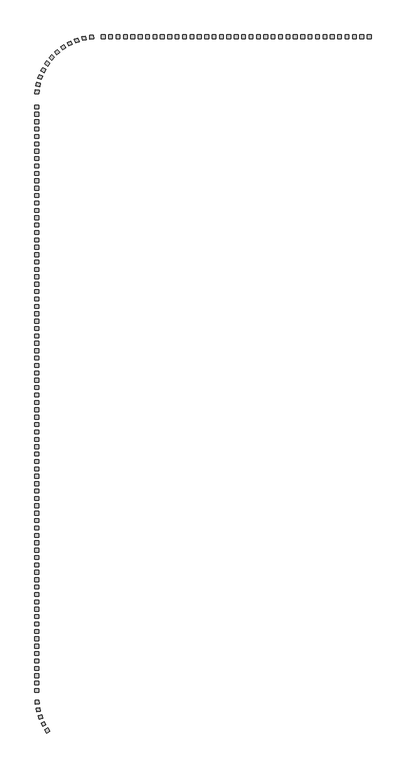
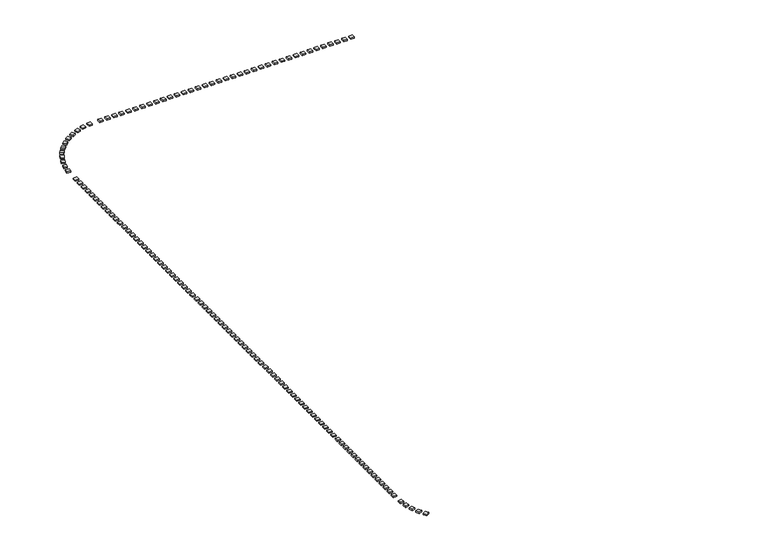
"""IFC4 building model written with IfcOpenShell, lengths in millimetres: railing geometry."""

import ifcopenshell
import ifcopenshell.guid

model = None  # the IFC model being written
_history = None  # IfcOwnerHistory: only IFC2X3 demands one
_inside = {}  # id of a spatial element -> (the spatial element, [elements in it])
_under = {}  # id of a project, library or spatial element -> (it, [spatial elements below it])
_declared = {}  # id of a project -> (the project, [libraries it declares])
_typed = {}  # id of a type object -> (the type object, [elements of that type])
_made_of = {}  # id of a material, layer set ... -> (it, [elements and type objects made of it])


def new_model(schema):
    """Start an empty IFC model of exactly this schema.

    Asked for "IFC4X3", IfcOpenShell would pick the latest addendum, in which some entities
    have other attributes; the version numbers below select the first issue.
    IFC2X3 requires an IfcOwnerHistory on every rooted entity: one is made here for all.
    """
    global model, _history
    if schema == "IFC4X3":
        model = ifcopenshell.file(schema_version=(4, 3, 0, 0))
    else:
        model = ifcopenshell.file(schema=schema)
    _inside.clear()
    _under.clear()
    _declared.clear()
    _typed.clear()
    _made_of.clear()
    _history = None
    if model.schema == "IFC2X3":
        org = make("IfcOrganization", Name="unknown")
        user = make(
            "IfcPersonAndOrganization",
            ThePerson=make("IfcPerson", FamilyName="unknown"),
            TheOrganization=org,
        )
        app = make(
            "IfcApplication",
            ApplicationDeveloper=org,
            Version="unknown",
            ApplicationFullName="unknown",
            ApplicationIdentifier="unknown",
        )
        _history = make(
            "IfcOwnerHistory",
            OwningUser=user,
            OwningApplication=app,
            ChangeAction="ADDED",
            CreationDate=0,
        )
    return model


def make(cls, **values):
    """One entity of the class cls with the attributes given. An attribute that is None is left unset."""
    return model.create_entity(
        cls, **{name: value for name, value in values.items() if value is not None}
    )


def rooted(cls, **values):
    """An entity with a GlobalId (a new one), such as an element, a storey or a relation."""
    return make(cls, GlobalId=ifcopenshell.guid.new(), OwnerHistory=_history, **values)


def si_unit(unit_type, name, prefix=None):
    """IfcSIUnit, for example si_unit("LENGTHUNIT", "METRE", prefix="MILLI")."""
    return make("IfcSIUnit", UnitType=unit_type, Prefix=prefix, Name=name)


def assignment(units):
    """IfcUnitAssignment: the units of a project."""
    return None if units is None else make("IfcUnitAssignment", Units=units)


def point(xyz):
    """IfcCartesianPoint."""
    return None if xyz is None else make("IfcCartesianPoint", Coordinates=xyz)


def direction(xyz):
    """IfcDirection."""
    return None if xyz is None else make("IfcDirection", DirectionRatios=xyz)


def frame(location, z_axis=None, x_axis=None):
    """IfcAxis2Placement3D, a coordinate frame: its origin and axes. An axis left out is left unset."""
    return make(
        "IfcAxis2Placement3D",
        Location=point(location),
        Axis=direction(z_axis),
        RefDirection=direction(x_axis),
    )


def origin():
    """The frame at (0, 0, 0) with its axes left unset."""
    return frame((0.0, 0.0, 0.0))


def origin_with_axes():
    """The frame at (0, 0, 0) with the z axis (0, 0, 1) and the x axis (1, 0, 0) written out."""
    return frame((0.0, 0.0, 0.0), z_axis=(0.0, 0.0, 1.0), x_axis=(1.0, 0.0, 0.0))


def place(relative_to, where):
    """IfcLocalPlacement: puts the frame where relative to a parent placement (None: the world)."""
    return make(
        "IfcLocalPlacement", PlacementRelTo=relative_to, RelativePlacement=where
    )


def context(
    kind, dimensions, precision=None, world=None, true_north=None, identifier=None
):
    """IfcGeometricRepresentationContext, for example the 3D "Model" context."""
    return make(
        "IfcGeometricRepresentationContext",
        ContextIdentifier=identifier,
        ContextType=kind,
        CoordinateSpaceDimension=dimensions,
        Precision=precision,
        WorldCoordinateSystem=world,
        TrueNorth=true_north,
    )


def project(units=None, contexts=None):
    """IfcProject with its units and contexts."""
    return rooted(
        "IfcProject",
        Name="project",
        RepresentationContexts=contexts,
        UnitsInContext=assignment(units),
    )


def spatial(cls, under=None, at=None, **own):
    """A site, building, storey or space (cls), placed at a placement, below another one or the project."""
    s = rooted(cls, ObjectPlacement=at, **own)
    if under is not None:
        _under.setdefault(under.id(), (under, []))[1].append(s)
    return s


def polyline(points):
    """IfcPolyline through the points."""
    return make("IfcPolyline", Points=[point(p) for p in points])


def outline(outer, holes=None, kind="AREA"):
    """IfcArbitraryClosedProfileDef: a profile drawn as a closed curve; with holes, ...WithVoids."""
    if holes is None:
        return make("IfcArbitraryClosedProfileDef", ProfileType=kind, OuterCurve=outer)
    return make(
        "IfcArbitraryProfileDefWithVoids",
        ProfileType=kind,
        OuterCurve=outer,
        InnerCurves=holes,
    )


def extrude(swept, where, along, depth):
    """IfcExtrudedAreaSolid: the profile swept, set in the frame where, extruded along a direction by depth."""
    return make(
        "IfcExtrudedAreaSolid",
        SweptArea=swept,
        Position=where,
        ExtrudedDirection=direction(along),
        Depth=depth,
    )


def shape(context_of_items, identifier, shape_type, items):
    """IfcShapeRepresentation: the items that make up one representation, for example the "Body"."""
    return make(
        "IfcShapeRepresentation",
        ContextOfItems=context_of_items,
        RepresentationIdentifier=identifier,
        RepresentationType=shape_type,
        Items=items,
    )


def source(mapping_origin, context_of_items, identifier, shape_type, items):
    """IfcRepresentationMap: a shape defined once, which mapped items show again and again."""
    return make(
        "IfcRepresentationMap",
        MappingOrigin=mapping_origin,
        MappedRepresentation=shape(context_of_items, identifier, shape_type, items),
    )


def transform(
    local_origin,
    x_axis=None,
    y_axis=None,
    z_axis=None,
    scale=None,
    scale2=None,
    scale3=None,
    uniform=True,
):
    """IfcCartesianTransformationOperator3D, or its non-uniform kind. x_axis, y_axis, z_axis: its Axis1, 2, 3."""
    if uniform:
        return make(
            "IfcCartesianTransformationOperator3D",
            Axis1=direction(x_axis),
            Axis2=direction(y_axis),
            LocalOrigin=point(local_origin),
            Scale=scale,
            Axis3=direction(z_axis),
        )
    return make(
        "IfcCartesianTransformationOperator3DnonUniform",
        Axis1=direction(x_axis),
        Axis2=direction(y_axis),
        LocalOrigin=point(local_origin),
        Scale=scale,
        Axis3=direction(z_axis),
        Scale2=scale2,
        Scale3=scale3,
    )


def mapped(mapping_source, mapping_target):
    """IfcMappedItem: shows the shape of a source again, moved by a transform."""
    return make(
        "IfcMappedItem", MappingSource=mapping_source, MappingTarget=mapping_target
    )


def made_of(thing, what):
    """Note that an element or type object is made of a material, layer set ...; save() writes the relation."""
    if what is not None:
        _made_of.setdefault(what.id(), (what, []))[1].append(thing)
    return thing


def element(
    cls,
    number,
    at=None,
    inside=None,
    cuts=None,
    type_object=None,
    material=None,
    context=None,
    identifier="Body",
    shape_type=None,
    held_by="IfcProductDefinitionShape",
    body=None,
    shapes=None,
    **own,
):
    """One element of the class cls, such as IfcWall. Its Tag is "e" and its number.

    at: its placement. inside: the storey or other place that contains it. cuts: it is an
    opening in that element (IfcRelVoidsElement). A single representation is given by context,
    identifier, shape_type and body (its items); several are given by shapes. held_by: the class
    of the entity that holds the representations. save() writes the other relations.
    """
    e = rooted(cls, Tag="e%d" % number, ObjectPlacement=at, **own)
    if body is not None:
        shapes = [shape(context, identifier, shape_type, body)]
    if shapes is not None:
        e.Representation = make(held_by, Representations=shapes)
    if inside is not None:
        _inside.setdefault(inside.id(), (inside, []))[1].append(e)
    if cuts is not None:
        rooted(
            "IfcRelVoidsElement", RelatingBuildingElement=cuts, RelatedOpeningElement=e
        )
    if type_object is not None:
        _typed.setdefault(type_object.id(), (type_object, []))[1].append(e)
    return made_of(e, material)


def aggregate(whole, parts):
    """IfcRelAggregates: a whole, such as a stair, and the parts it consists of."""
    return rooted("IfcRelAggregates", RelatingObject=whole, RelatedObjects=parts)


def save(model, path):
    """Write the relations noted so far, then the file.

    IfcRelAggregates (storeys below a building ...), IfcRelContainedInSpatialStructure (elements
    in a storey), IfcRelDefinesByType, IfcRelAssociatesMaterial and IfcRelDeclares: one each for
    every whole, place, type object, material and project.
    """
    for whole, parts in _under.values():
        aggregate(whole, parts)
    for where, things in _inside.values():
        rooted(
            "IfcRelContainedInSpatialStructure",
            RelatedElements=things,
            RelatingStructure=where,
        )
    for kind, things in _typed.values():
        rooted("IfcRelDefinesByType", RelatedObjects=things, RelatingType=kind)
    for what, things in _made_of.values():
        rooted("IfcRelAssociatesMaterial", RelatedObjects=things, RelatingMaterial=what)
    for by, libraries in _declared.values():
        rooted("IfcRelDeclares", RelatingContext=by, RelatedDefinitions=libraries)
    model.write(path)


def railing_8638ce8b(model_context):
    return source(origin(), model_context, "Body", "SweptSolid", [
        extrude(outline(polyline([(-32631.1414863, -150454.0566268), (-32631.1414863, -150954.0566268), (-33131.1414863, -150954.0566268), (-33131.1414863, -150454.0566268), (-32631.1414863, -150454.0566268)])), origin_with_axes(), (0.0, 0.0, 1.0), 200.0),
        extrude(outline(polyline([(-33631.1414863, -150454.0566268), (-33631.1414863, -150954.0566268), (-34131.1414863, -150954.0566268), (-34131.1414863, -150454.0566268), (-33631.1414863, -150454.0566268)])), origin_with_axes(), (0.0, 0.0, 1.0), 200.0),
        extrude(outline(polyline([(-34631.1414863, -150454.0566268), (-34631.1414863, -150954.0566268), (-35131.1414863, -150954.0566268), (-35131.1414863, -150454.0566268), (-34631.1414863, -150454.0566268)])), origin_with_axes(), (0.0, 0.0, 1.0), 200.0),
        extrude(outline(polyline([(-35631.1414863, -150454.0566268), (-35631.1414863, -150954.0566268), (-36131.1414863, -150954.0566268), (-36131.1414863, -150454.0566268), (-35631.1414863, -150454.0566268)])), origin_with_axes(), (0.0, 0.0, 1.0), 200.0),
        extrude(outline(polyline([(-36631.1414863, -150454.0566268), (-36631.1414863, -150954.0566268), (-37131.1414863, -150954.0566268), (-37131.1414863, -150454.0566268), (-36631.1414863, -150454.0566268)])), origin_with_axes(), (0.0, 0.0, 1.0), 200.0),
        extrude(outline(polyline([(-37631.1414863, -150454.0566268), (-37631.1414863, -150954.0566268), (-38131.1414863, -150954.0566268), (-38131.1414863, -150454.0566268), (-37631.1414863, -150454.0566268)])), origin_with_axes(), (0.0, 0.0, 1.0), 200.0),
        extrude(outline(polyline([(-38631.1414863, -150454.0566268), (-38631.1414863, -150954.0566268), (-39131.1414863, -150954.0566268), (-39131.1414863, -150454.0566268), (-38631.1414863, -150454.0566268)])), origin_with_axes(), (0.0, 0.0, 1.0), 200.0),
        extrude(outline(polyline([(-39631.1414863, -150454.0566268), (-39631.1414863, -150954.0566268), (-40131.1414863, -150954.0566268), (-40131.1414863, -150454.0566268), (-39631.1414863, -150454.0566268)])), origin_with_axes(), (0.0, 0.0, 1.0), 200.0),
        extrude(outline(polyline([(-40631.1414863, -150454.0566268), (-40631.1414863, -150954.0566268), (-41131.1414863, -150954.0566268), (-41131.1414863, -150454.0566268), (-40631.1414863, -150454.0566268)])), origin_with_axes(), (0.0, 0.0, 1.0), 200.0),
        extrude(outline(polyline([(-41631.1414863, -150454.0566268), (-41631.1414863, -150954.0566268), (-42131.1414863, -150954.0566268), (-42131.1414863, -150454.0566268), (-41631.1414863, -150454.0566268)])), origin_with_axes(), (0.0, 0.0, 1.0), 200.0),
        extrude(outline(polyline([(-42631.1414863, -150454.0566268), (-42631.1414863, -150954.0566268), (-43131.1414863, -150954.0566268), (-43131.1414863, -150454.0566268), (-42631.1414863, -150454.0566268)])), origin_with_axes(), (0.0, 0.0, 1.0), 200.0),
        extrude(outline(polyline([(-43631.1414863, -150454.0566268), (-43631.1414863, -150954.0566268), (-44131.1414863, -150954.0566268), (-44131.1414863, -150454.0566268), (-43631.1414863, -150454.0566268)])), origin_with_axes(), (0.0, 0.0, 1.0), 200.0),
        extrude(outline(polyline([(-44631.1414863, -150454.0566268), (-44631.1414863, -150954.0566268), (-45131.1414863, -150954.0566268), (-45131.1414863, -150454.0566268), (-44631.1414863, -150454.0566268)])), origin_with_axes(), (0.0, 0.0, 1.0), 200.0),
        extrude(outline(polyline([(-45631.1414863, -150454.0566268), (-45631.1414863, -150954.0566268), (-46131.1414863, -150954.0566268), (-46131.1414863, -150454.0566268), (-45631.1414863, -150454.0566268)])), origin_with_axes(), (0.0, 0.0, 1.0), 200.0),
        extrude(outline(polyline([(-46631.1414863, -150454.0566268), (-46631.1414863, -150954.0566268), (-47131.1414863, -150954.0566268), (-47131.1414863, -150454.0566268), (-46631.1414863, -150454.0566268)])), origin_with_axes(), (0.0, 0.0, 1.0), 200.0),
        extrude(outline(polyline([(-47631.1414863, -150454.0566268), (-47631.1414863, -150954.0566268), (-48131.1414863, -150954.0566268), (-48131.1414863, -150454.0566268), (-47631.1414863, -150454.0566268)])), origin_with_axes(), (0.0, 0.0, 1.0), 200.0),
        extrude(outline(polyline([(-48631.1414863, -150454.0566268), (-48631.1414863, -150954.0566268), (-49131.1414863, -150954.0566268), (-49131.1414863, -150454.0566268), (-48631.1414863, -150454.0566268)])), origin_with_axes(), (0.0, 0.0, 1.0), 200.0),
        extrude(outline(polyline([(-49631.1414863, -150454.0566268), (-49631.1414863, -150954.0566268), (-50131.1414863, -150954.0566268), (-50131.1414863, -150454.0566268), (-49631.1414863, -150454.0566268)])), origin_with_axes(), (0.0, 0.0, 1.0), 200.0),
        extrude(outline(polyline([(-50631.1414863, -150454.0566268), (-50631.1414863, -150954.0566268), (-51131.1414863, -150954.0566268), (-51131.1414863, -150454.0566268), (-50631.1414863, -150454.0566268)])), origin_with_axes(), (0.0, 0.0, 1.0), 200.0),
        extrude(outline(polyline([(-51631.1414863, -150454.0566268), (-51631.1414863, -150954.0566268), (-52131.1414863, -150954.0566268), (-52131.1414863, -150454.0566268), (-51631.1414863, -150454.0566268)])), origin_with_axes(), (0.0, 0.0, 1.0), 200.0),
        extrude(outline(polyline([(-52631.1414863, -150454.0566268), (-52631.1414863, -150954.0566268), (-53131.1414863, -150954.0566268), (-53131.1414863, -150454.0566268), (-52631.1414863, -150454.0566268)])), origin_with_axes(), (0.0, 0.0, 1.0), 200.0),
        extrude(outline(polyline([(-53631.1414863, -150454.0566268), (-53631.1414863, -150954.0566268), (-54131.1414863, -150954.0566268), (-54131.1414863, -150454.0566268), (-53631.1414863, -150454.0566268)])), origin_with_axes(), (0.0, 0.0, 1.0), 200.0),
        extrude(outline(polyline([(-54631.1414863, -150454.0566268), (-54631.1414863, -150954.0566268), (-55131.1414863, -150954.0566268), (-55131.1414863, -150454.0566268), (-54631.1414863, -150454.0566268)])), origin_with_axes(), (0.0, 0.0, 1.0), 200.0),
        extrude(outline(polyline([(-55631.1414863, -150454.0566268), (-55631.1414863, -150954.0566268), (-56131.1414863, -150954.0566268), (-56131.1414863, -150454.0566268), (-55631.1414863, -150454.0566268)])), origin_with_axes(), (0.0, 0.0, 1.0), 200.0),
        extrude(outline(polyline([(-56631.1414863, -150454.0566268), (-56631.1414863, -150954.0566268), (-57131.1414863, -150954.0566268), (-57131.1414863, -150454.0566268), (-56631.1414863, -150454.0566268)])), origin_with_axes(), (0.0, 0.0, 1.0), 200.0),
        extrude(outline(polyline([(-57631.1414863, -150454.0566268), (-57631.1414863, -150954.0566268), (-58131.1414863, -150954.0566268), (-58131.1414863, -150454.0566268), (-57631.1414863, -150454.0566268)])), origin_with_axes(), (0.0, 0.0, 1.0), 200.0),
        extrude(outline(polyline([(-58631.1414863, -150454.0566268), (-58631.1414863, -150954.0566268), (-59131.1414863, -150954.0566268), (-59131.1414863, -150454.0566268), (-58631.1414863, -150454.0566268)])), origin_with_axes(), (0.0, 0.0, 1.0), 200.0),
        extrude(outline(polyline([(-59631.1414863, -150454.0566268), (-59631.1414863, -150954.0566268), (-60131.1414863, -150954.0566268), (-60131.1414863, -150454.0566268), (-59631.1414863, -150454.0566268)])), origin_with_axes(), (0.0, 0.0, 1.0), 200.0),
        extrude(outline(polyline([(-60631.1414863, -150454.0566268), (-60631.1414863, -150954.0566268), (-61131.1414863, -150954.0566268), (-61131.1414863, -150454.0566268), (-60631.1414863, -150454.0566268)])), origin_with_axes(), (0.0, 0.0, 1.0), 200.0),
        extrude(outline(polyline([(-61631.1414863, -150454.0566268), (-61631.1414863, -150954.0566268), (-62131.1414863, -150954.0566268), (-62131.1414863, -150454.0566268), (-61631.1414863, -150454.0566268)])), origin_with_axes(), (0.0, 0.0, 1.0), 200.0),
        extrude(outline(polyline([(-62631.1414863, -150454.0566268), (-62631.1414863, -150954.0566268), (-63131.1414863, -150954.0566268), (-63131.1414863, -150454.0566268), (-62631.1414863, -150454.0566268)])), origin_with_axes(), (0.0, 0.0, 1.0), 200.0),
        extrude(outline(polyline([(-63631.1414863, -150454.0566268), (-63631.1414863, -150954.0566268), (-64131.1414863, -150954.0566268), (-64131.1414863, -150454.0566268), (-63631.1414863, -150454.0566268)])), origin_with_axes(), (0.0, 0.0, 1.0), 200.0),
        extrude(outline(polyline([(-64631.1414863, -150454.0566268), (-64631.1414863, -150954.0566268), (-65131.1414863, -150954.0566268), (-65131.1414863, -150454.0566268), (-64631.1414863, -150454.0566268)])), origin_with_axes(), (0.0, 0.0, 1.0), 200.0),
        extrude(outline(polyline([(-65631.1414863, -150454.0566268), (-65631.1414863, -150954.0566268), (-66131.1414863, -150954.0566268), (-66131.1414863, -150454.0566268), (-65631.1414863, -150454.0566268)])), origin_with_axes(), (0.0, 0.0, 1.0), 200.0),
        extrude(outline(polyline([(-66631.1414863, -150454.0566268), (-66631.1414863, -150954.0566268), (-67131.1414863, -150954.0566268), (-67131.1414863, -150454.0566268), (-66631.1414863, -150454.0566268)])), origin_with_axes(), (0.0, 0.0, 1.0), 200.0),
        extrude(outline(polyline([(-67631.1414863, -150454.0566268), (-67631.1414863, -150954.0566268), (-68131.1414863, -150954.0566268), (-68131.1414863, -150454.0566268), (-67631.1414863, -150454.0566268)])), origin_with_axes(), (0.0, 0.0, 1.0), 200.0),
        extrude(outline(polyline([(-68631.1414863, -150454.0566268), (-68631.1414863, -150954.0566268), (-69131.1414863, -150954.0566268), (-69131.1414863, -150454.0566268), (-68631.1414863, -150454.0566268)])), origin_with_axes(), (0.0, 0.0, 1.0), 200.0),
        extrude(outline(polyline([(-70232.4077004, -150475.3492407), (-70197.0390996, -150974.096734), (-70695.7865929, -151009.4653348), (-70731.1551937, -150510.7178415), (-70232.4077004, -150475.3492407)])), origin_with_axes(), (0.0, 0.0, 1.0), 200.0),
        extrude(outline(polyline([(-71284.7970042, -150616.4656421), (-71187.5231502, -151106.9121706), (-71677.9696787, -151204.1860246), (-71775.2435327, -150713.7394961), (-71284.7970042, -150616.4656421)])), origin_with_axes(), (0.0, 0.0, 1.0), 200.0),
        extrude(outline(polyline([(-72311.3815666, -150887.6873623), (-72153.7203854, -151362.1796719), (-72628.2126951, -151519.8408531), (-72785.8738763, -151045.3485435), (-72311.3815666, -150887.6873623)])), origin_with_axes(), (0.0, 0.0, 1.0), 200.0),
        extrude(outline(polyline([(-73296.1418791, -151284.7820769), (-73080.5536207, -151735.915874), (-73531.6874177, -151951.5041324), (-73747.2756761, -151500.3703353), (-73296.1418791, -151284.7820769)])), origin_with_axes(), (0.0, 0.0, 1.0), 200.0),
        extrude(outline(polyline([(-74223.7110861, -151801.5532559), (-73953.5599332, -152222.2887483), (-74374.2954256, -152492.4399013), (-74644.4465785, -152071.7044089), (-74223.7110861, -151801.5532559)])), origin_with_axes(), (0.0, 0.0, 1.0), 200.0),
        extrude(outline(polyline([(-75079.6147807, -152429.9368578), (-74759.1163516, -152813.7086089), (-75142.8881027, -153134.207038), (-75463.3865318, -152750.4352869), (-75079.6147807, -152429.9368578)])), origin_with_axes(), (0.0, 0.0, 1.0), 200.0),
        extrude(outline(polyline([(-75850.4968717, -153160.1271666), (-75484.6524373, -153500.9465466), (-75825.4718173, -153866.790981), (-76191.3162517, -153525.971601), (-75850.4968717, -153160.1271666)])), origin_with_axes(), (0.0, 0.0, 1.0), 200.0),
        extrude(outline(polyline([(-76524.3280021, -153980.7298068), (-76118.8464423, -154273.2784433), (-76411.3950788, -154678.760003), (-76816.8766385, -154386.2113665), (-76524.3280021, -153980.7298068)])), origin_with_axes(), (0.0, 0.0, 1.0), 200.0),
        extrude(outline(polyline([(-77090.5932623, -154878.9395487), (-76651.8019814, -155118.652318), (-76891.5147507, -155557.4435989), (-77330.3060316, -155317.7308296), (-77090.5932623, -154878.9395487)])), origin_with_axes(), (0.0, 0.0, 1.0), 200.0),
        extrude(outline(polyline([(-77540.4562725, -155840.7401296), (-77075.2024616, -156023.8763941), (-77258.3387261, -156489.1302051), (-77723.5925371, -156305.9939405), (-77540.4562725, -155840.7401296)])), origin_with_axes(), (0.0, 0.0, 1.0), 200.0),
        extrude(outline(polyline([(-77866.8970708, -156851.1229731), (-77382.44086, -156974.8249527), (-77506.1428396, -157459.2811636), (-77990.5990504, -157335.579184), (-77866.8970708, -156851.1229731)])), origin_with_axes(), (0.0, 0.0, 1.0), 200.0),
        extrude(outline(polyline([(-78064.8216577, -157894.321393), (-77568.7228241, -157956.6587597), (-77631.0601908, -158452.7575933), (-78127.1590244, -158390.4202266), (-78064.8216577, -157894.321393)])), origin_with_axes(), (0.0, 0.0, 1.0), 200.0),
        extrude(outline(polyline([(-78131.1414863, -159954.0566268), (-77631.1414863, -159954.0566268), (-77631.1414863, -160454.0566268), (-78131.1414863, -160454.0566268), (-78131.1414863, -159954.0566268)])), origin_with_axes(), (0.0, 0.0, 1.0), 200.0),
        extrude(outline(polyline([(-78131.1414863, -160954.0566268), (-77631.1414863, -160954.0566268), (-77631.1414863, -161454.0566268), (-78131.1414863, -161454.0566268), (-78131.1414863, -160954.0566268)])), origin_with_axes(), (0.0, 0.0, 1.0), 200.0),
        extrude(outline(polyline([(-78131.1414863, -161954.0566268), (-77631.1414863, -161954.0566268), (-77631.1414863, -162454.0566268), (-78131.1414863, -162454.0566268), (-78131.1414863, -161954.0566268)])), origin_with_axes(), (0.0, 0.0, 1.0), 200.0),
        extrude(outline(polyline([(-78131.1414863, -162954.0566268), (-77631.1414863, -162954.0566268), (-77631.1414863, -163454.0566268), (-78131.1414863, -163454.0566268), (-78131.1414863, -162954.0566268)])), origin_with_axes(), (0.0, 0.0, 1.0), 200.0),
        extrude(outline(polyline([(-78131.1414863, -163954.0566268), (-77631.1414863, -163954.0566268), (-77631.1414863, -164454.0566268), (-78131.1414863, -164454.0566268), (-78131.1414863, -163954.0566268)])), origin_with_axes(), (0.0, 0.0, 1.0), 200.0),
        extrude(outline(polyline([(-78131.1414863, -164954.0566268), (-77631.1414863, -164954.0566268), (-77631.1414863, -165454.0566268), (-78131.1414863, -165454.0566268), (-78131.1414863, -164954.0566268)])), origin_with_axes(), (0.0, 0.0, 1.0), 200.0),
        extrude(outline(polyline([(-78131.1414863, -165954.0566268), (-77631.1414863, -165954.0566268), (-77631.1414863, -166454.0566268), (-78131.1414863, -166454.0566268), (-78131.1414863, -165954.0566268)])), origin_with_axes(), (0.0, 0.0, 1.0), 200.0),
        extrude(outline(polyline([(-78131.1414863, -166954.0566268), (-77631.1414863, -166954.0566268), (-77631.1414863, -167454.0566268), (-78131.1414863, -167454.0566268), (-78131.1414863, -166954.0566268)])), origin_with_axes(), (0.0, 0.0, 1.0), 200.0),
        extrude(outline(polyline([(-78131.1414863, -167954.0566268), (-77631.1414863, -167954.0566268), (-77631.1414863, -168454.0566268), (-78131.1414863, -168454.0566268), (-78131.1414863, -167954.0566268)])), origin_with_axes(), (0.0, 0.0, 1.0), 200.0),
        extrude(outline(polyline([(-78131.1414863, -168954.0566268), (-77631.1414863, -168954.0566268), (-77631.1414863, -169454.0566268), (-78131.1414863, -169454.0566268), (-78131.1414863, -168954.0566268)])), origin_with_axes(), (0.0, 0.0, 1.0), 200.0),
        extrude(outline(polyline([(-78131.1414863, -169954.0566268), (-77631.1414863, -169954.0566268), (-77631.1414863, -170454.0566268), (-78131.1414863, -170454.0566268), (-78131.1414863, -169954.0566268)])), origin_with_axes(), (0.0, 0.0, 1.0), 200.0),
        extrude(outline(polyline([(-78131.1414863, -170954.0566268), (-77631.1414863, -170954.0566268), (-77631.1414863, -171454.0566268), (-78131.1414863, -171454.0566268), (-78131.1414863, -170954.0566268)])), origin_with_axes(), (0.0, 0.0, 1.0), 200.0),
        extrude(outline(polyline([(-78131.1414863, -171954.0566268), (-77631.1414863, -171954.0566268), (-77631.1414863, -172454.0566268), (-78131.1414863, -172454.0566268), (-78131.1414863, -171954.0566268)])), origin_with_axes(), (0.0, 0.0, 1.0), 200.0),
        extrude(outline(polyline([(-78131.1414863, -172954.0566268), (-77631.1414863, -172954.0566268), (-77631.1414863, -173454.0566268), (-78131.1414863, -173454.0566268), (-78131.1414863, -172954.0566268)])), origin_with_axes(), (0.0, 0.0, 1.0), 200.0),
        extrude(outline(polyline([(-78131.1414863, -173954.0566268), (-77631.1414863, -173954.0566268), (-77631.1414863, -174454.0566268), (-78131.1414863, -174454.0566268), (-78131.1414863, -173954.0566268)])), origin_with_axes(), (0.0, 0.0, 1.0), 200.0),
        extrude(outline(polyline([(-78131.1414863, -174954.0566268), (-77631.1414863, -174954.0566268), (-77631.1414863, -175454.0566268), (-78131.1414863, -175454.0566268), (-78131.1414863, -174954.0566268)])), origin_with_axes(), (0.0, 0.0, 1.0), 200.0),
        extrude(outline(polyline([(-78131.1414863, -175954.0566268), (-77631.1414863, -175954.0566268), (-77631.1414863, -176454.0566268), (-78131.1414863, -176454.0566268), (-78131.1414863, -175954.0566268)])), origin_with_axes(), (0.0, 0.0, 1.0), 200.0),
        extrude(outline(polyline([(-78131.1414863, -176954.0566268), (-77631.1414863, -176954.0566268), (-77631.1414863, -177454.0566268), (-78131.1414863, -177454.0566268), (-78131.1414863, -176954.0566268)])), origin_with_axes(), (0.0, 0.0, 1.0), 200.0),
        extrude(outline(polyline([(-78131.1414863, -177954.0566268), (-77631.1414863, -177954.0566268), (-77631.1414863, -178454.0566268), (-78131.1414863, -178454.0566268), (-78131.1414863, -177954.0566268)])), origin_with_axes(), (0.0, 0.0, 1.0), 200.0),
        extrude(outline(polyline([(-78131.1414863, -178954.0566268), (-77631.1414863, -178954.0566268), (-77631.1414863, -179454.0566268), (-78131.1414863, -179454.0566268), (-78131.1414863, -178954.0566268)])), origin_with_axes(), (0.0, 0.0, 1.0), 200.0),
        extrude(outline(polyline([(-78131.1414863, -179954.0566268), (-77631.1414863, -179954.0566268), (-77631.1414863, -180454.0566268), (-78131.1414863, -180454.0566268), (-78131.1414863, -179954.0566268)])), origin_with_axes(), (0.0, 0.0, 1.0), 200.0),
        extrude(outline(polyline([(-78131.1414863, -180954.0566268), (-77631.1414863, -180954.0566268), (-77631.1414863, -181454.0566268), (-78131.1414863, -181454.0566268), (-78131.1414863, -180954.0566268)])), origin_with_axes(), (0.0, 0.0, 1.0), 200.0),
        extrude(outline(polyline([(-78131.1414863, -181954.0566268), (-77631.1414863, -181954.0566268), (-77631.1414863, -182454.0566268), (-78131.1414863, -182454.0566268), (-78131.1414863, -181954.0566268)])), origin_with_axes(), (0.0, 0.0, 1.0), 200.0),
        extrude(outline(polyline([(-78131.1414863, -182954.0566268), (-77631.1414863, -182954.0566268), (-77631.1414863, -183454.0566268), (-78131.1414863, -183454.0566268), (-78131.1414863, -182954.0566268)])), origin_with_axes(), (0.0, 0.0, 1.0), 200.0),
        extrude(outline(polyline([(-78131.1414863, -183954.0566268), (-77631.1414863, -183954.0566268), (-77631.1414863, -184454.0566268), (-78131.1414863, -184454.0566268), (-78131.1414863, -183954.0566268)])), origin_with_axes(), (0.0, 0.0, 1.0), 200.0),
        extrude(outline(polyline([(-78131.1414863, -184954.0566268), (-77631.1414863, -184954.0566268), (-77631.1414863, -185454.0566268), (-78131.1414863, -185454.0566268), (-78131.1414863, -184954.0566268)])), origin_with_axes(), (0.0, 0.0, 1.0), 200.0),
        extrude(outline(polyline([(-78131.1414863, -185954.0566268), (-77631.1414863, -185954.0566268), (-77631.1414863, -186454.0566268), (-78131.1414863, -186454.0566268), (-78131.1414863, -185954.0566268)])), origin_with_axes(), (0.0, 0.0, 1.0), 200.0),
        extrude(outline(polyline([(-78131.1414863, -186954.0566268), (-77631.1414863, -186954.0566268), (-77631.1414863, -187454.0566268), (-78131.1414863, -187454.0566268), (-78131.1414863, -186954.0566268)])), origin_with_axes(), (0.0, 0.0, 1.0), 200.0),
        extrude(outline(polyline([(-78131.1414863, -187954.0566268), (-77631.1414863, -187954.0566268), (-77631.1414863, -188454.0566268), (-78131.1414863, -188454.0566268), (-78131.1414863, -187954.0566268)])), origin_with_axes(), (0.0, 0.0, 1.0), 200.0),
        extrude(outline(polyline([(-78131.1414863, -188954.0566268), (-77631.1414863, -188954.0566268), (-77631.1414863, -189454.0566268), (-78131.1414863, -189454.0566268), (-78131.1414863, -188954.0566268)])), origin_with_axes(), (0.0, 0.0, 1.0), 200.0),
        extrude(outline(polyline([(-78131.1414863, -189954.0566268), (-77631.1414863, -189954.0566268), (-77631.1414863, -190454.0566268), (-78131.1414863, -190454.0566268), (-78131.1414863, -189954.0566268)])), origin_with_axes(), (0.0, 0.0, 1.0), 200.0),
        extrude(outline(polyline([(-78131.1414863, -190954.0566268), (-77631.1414863, -190954.0566268), (-77631.1414863, -191454.0566268), (-78131.1414863, -191454.0566268), (-78131.1414863, -190954.0566268)])), origin_with_axes(), (0.0, 0.0, 1.0), 200.0),
        extrude(outline(polyline([(-78131.1414863, -191954.0566268), (-77631.1414863, -191954.0566268), (-77631.1414863, -192454.0566268), (-78131.1414863, -192454.0566268), (-78131.1414863, -191954.0566268)])), origin_with_axes(), (0.0, 0.0, 1.0), 200.0),
        extrude(outline(polyline([(-78131.1414863, -192954.0566268), (-77631.1414863, -192954.0566268), (-77631.1414863, -193454.0566268), (-78131.1414863, -193454.0566268), (-78131.1414863, -192954.0566268)])), origin_with_axes(), (0.0, 0.0, 1.0), 200.0),
        extrude(outline(polyline([(-78131.1414863, -193954.0566268), (-77631.1414863, -193954.0566268), (-77631.1414863, -194454.0566268), (-78131.1414863, -194454.0566268), (-78131.1414863, -193954.0566268)])), origin_with_axes(), (0.0, 0.0, 1.0), 200.0),
        extrude(outline(polyline([(-78131.1414863, -194954.0566268), (-77631.1414863, -194954.0566268), (-77631.1414863, -195454.0566268), (-78131.1414863, -195454.0566268), (-78131.1414863, -194954.0566268)])), origin_with_axes(), (0.0, 0.0, 1.0), 200.0),
        extrude(outline(polyline([(-78131.1414863, -195954.0566268), (-77631.1414863, -195954.0566268), (-77631.1414863, -196454.0566268), (-78131.1414863, -196454.0566268), (-78131.1414863, -195954.0566268)])), origin_with_axes(), (0.0, 0.0, 1.0), 200.0),
        extrude(outline(polyline([(-78131.1414863, -196954.0566268), (-77631.1414863, -196954.0566268), (-77631.1414863, -197454.0566268), (-78131.1414863, -197454.0566268), (-78131.1414863, -196954.0566268)])), origin_with_axes(), (0.0, 0.0, 1.0), 200.0),
        extrude(outline(polyline([(-78131.1414863, -197954.0566268), (-77631.1414863, -197954.0566268), (-77631.1414863, -198454.0566268), (-78131.1414863, -198454.0566268), (-78131.1414863, -197954.0566268)])), origin_with_axes(), (0.0, 0.0, 1.0), 200.0),
        extrude(outline(polyline([(-78131.1414863, -198954.0566268), (-77631.1414863, -198954.0566268), (-77631.1414863, -199454.0566268), (-78131.1414863, -199454.0566268), (-78131.1414863, -198954.0566268)])), origin_with_axes(), (0.0, 0.0, 1.0), 200.0),
        extrude(outline(polyline([(-78131.1414863, -199954.0566268), (-77631.1414863, -199954.0566268), (-77631.1414863, -200454.0566268), (-78131.1414863, -200454.0566268), (-78131.1414863, -199954.0566268)])), origin_with_axes(), (0.0, 0.0, 1.0), 200.0),
        extrude(outline(polyline([(-78131.1414863, -200954.0566268), (-77631.1414863, -200954.0566268), (-77631.1414863, -201454.0566268), (-78131.1414863, -201454.0566268), (-78131.1414863, -200954.0566268)])), origin_with_axes(), (0.0, 0.0, 1.0), 200.0),
        extrude(outline(polyline([(-78131.1414863, -201954.0566268), (-77631.1414863, -201954.0566268), (-77631.1414863, -202454.0566268), (-78131.1414863, -202454.0566268), (-78131.1414863, -201954.0566268)])), origin_with_axes(), (0.0, 0.0, 1.0), 200.0),
        extrude(outline(polyline([(-78131.1414863, -202954.0566268), (-77631.1414863, -202954.0566268), (-77631.1414863, -203454.0566268), (-78131.1414863, -203454.0566268), (-78131.1414863, -202954.0566268)])), origin_with_axes(), (0.0, 0.0, 1.0), 200.0),
        extrude(outline(polyline([(-78131.1414863, -203954.0566268), (-77631.1414863, -203954.0566268), (-77631.1414863, -204454.0566268), (-78131.1414863, -204454.0566268), (-78131.1414863, -203954.0566268)])), origin_with_axes(), (0.0, 0.0, 1.0), 200.0),
        extrude(outline(polyline([(-78131.1414863, -204954.0566268), (-77631.1414863, -204954.0566268), (-77631.1414863, -205454.0566268), (-78131.1414863, -205454.0566268), (-78131.1414863, -204954.0566268)])), origin_with_axes(), (0.0, 0.0, 1.0), 200.0),
        extrude(outline(polyline([(-78131.1414863, -205954.0566268), (-77631.1414863, -205954.0566268), (-77631.1414863, -206454.0566268), (-78131.1414863, -206454.0566268), (-78131.1414863, -205954.0566268)])), origin_with_axes(), (0.0, 0.0, 1.0), 200.0),
        extrude(outline(polyline([(-78131.1414863, -206954.0566268), (-77631.1414863, -206954.0566268), (-77631.1414863, -207454.0566268), (-78131.1414863, -207454.0566268), (-78131.1414863, -206954.0566268)])), origin_with_axes(), (0.0, 0.0, 1.0), 200.0),
        extrude(outline(polyline([(-78131.1414863, -207954.0566268), (-77631.1414863, -207954.0566268), (-77631.1414863, -208454.0566268), (-78131.1414863, -208454.0566268), (-78131.1414863, -207954.0566268)])), origin_with_axes(), (0.0, 0.0, 1.0), 200.0),
        extrude(outline(polyline([(-78131.1414863, -208954.0566268), (-77631.1414863, -208954.0566268), (-77631.1414863, -209454.0566268), (-78131.1414863, -209454.0566268), (-78131.1414863, -208954.0566268)])), origin_with_axes(), (0.0, 0.0, 1.0), 200.0),
        extrude(outline(polyline([(-78131.1414863, -209954.0566268), (-77631.1414863, -209954.0566268), (-77631.1414863, -210454.0566268), (-78131.1414863, -210454.0566268), (-78131.1414863, -209954.0566268)])), origin_with_axes(), (0.0, 0.0, 1.0), 200.0),
        extrude(outline(polyline([(-78131.1414863, -210954.0566268), (-77631.1414863, -210954.0566268), (-77631.1414863, -211454.0566268), (-78131.1414863, -211454.0566268), (-78131.1414863, -210954.0566268)])), origin_with_axes(), (0.0, 0.0, 1.0), 200.0),
        extrude(outline(polyline([(-78131.1414863, -211954.0566268), (-77631.1414863, -211954.0566268), (-77631.1414863, -212454.0566268), (-78131.1414863, -212454.0566268), (-78131.1414863, -211954.0566268)])), origin_with_axes(), (0.0, 0.0, 1.0), 200.0),
        extrude(outline(polyline([(-78131.1414863, -212954.0566268), (-77631.1414863, -212954.0566268), (-77631.1414863, -213454.0566268), (-78131.1414863, -213454.0566268), (-78131.1414863, -212954.0566268)])), origin_with_axes(), (0.0, 0.0, 1.0), 200.0),
        extrude(outline(polyline([(-78131.1414863, -213954.0566268), (-77631.1414863, -213954.0566268), (-77631.1414863, -214454.0566268), (-78131.1414863, -214454.0566268), (-78131.1414863, -213954.0566268)])), origin_with_axes(), (0.0, 0.0, 1.0), 200.0),
        extrude(outline(polyline([(-78131.1414863, -214954.0566268), (-77631.1414863, -214954.0566268), (-77631.1414863, -215454.0566268), (-78131.1414863, -215454.0566268), (-78131.1414863, -214954.0566268)])), origin_with_axes(), (0.0, 0.0, 1.0), 200.0),
        extrude(outline(polyline([(-78131.1414863, -215954.0566268), (-77631.1414863, -215954.0566268), (-77631.1414863, -216454.0566268), (-78131.1414863, -216454.0566268), (-78131.1414863, -215954.0566268)])), origin_with_axes(), (0.0, 0.0, 1.0), 200.0),
        extrude(outline(polyline([(-78131.1414863, -216954.0566268), (-77631.1414863, -216954.0566268), (-77631.1414863, -217454.0566268), (-78131.1414863, -217454.0566268), (-78131.1414863, -216954.0566268)])), origin_with_axes(), (0.0, 0.0, 1.0), 200.0),
        extrude(outline(polyline([(-78131.1414863, -217954.0566268), (-77631.1414863, -217954.0566268), (-77631.1414863, -218454.0566268), (-78131.1414863, -218454.0566268), (-78131.1414863, -217954.0566268)])), origin_with_axes(), (0.0, 0.0, 1.0), 200.0),
        extrude(outline(polyline([(-78131.1414863, -218954.0566268), (-77631.1414863, -218954.0566268), (-77631.1414863, -219454.0566268), (-78131.1414863, -219454.0566268), (-78131.1414863, -218954.0566268)])), origin_with_axes(), (0.0, 0.0, 1.0), 200.0),
        extrude(outline(polyline([(-78131.1414863, -219954.0566268), (-77631.1414863, -219954.0566268), (-77631.1414863, -220454.0566268), (-78131.1414863, -220454.0566268), (-78131.1414863, -219954.0566268)])), origin_with_axes(), (0.0, 0.0, 1.0), 200.0),
        extrude(outline(polyline([(-78131.1414863, -220954.0566268), (-77631.1414863, -220954.0566268), (-77631.1414863, -221454.0566268), (-78131.1414863, -221454.0566268), (-78131.1414863, -220954.0566268)])), origin_with_axes(), (0.0, 0.0, 1.0), 200.0),
        extrude(outline(polyline([(-78131.1414863, -221954.0566268), (-77631.1414863, -221954.0566268), (-77631.1414863, -222454.0566268), (-78131.1414863, -222454.0566268), (-78131.1414863, -221954.0566268)])), origin_with_axes(), (0.0, 0.0, 1.0), 200.0),
        extrude(outline(polyline([(-78131.1414863, -222954.0566268), (-77631.1414863, -222954.0566268), (-77631.1414863, -223454.0566268), (-78131.1414863, -223454.0566268), (-78131.1414863, -222954.0566268)])), origin_with_axes(), (0.0, 0.0, 1.0), 200.0),
        extrude(outline(polyline([(-78131.1414863, -223954.0566268), (-77631.1414863, -223954.0566268), (-77631.1414863, -224454.0566268), (-78131.1414863, -224454.0566268), (-78131.1414863, -223954.0566268)])), origin_with_axes(), (0.0, 0.0, 1.0), 200.0),
        extrude(outline(polyline([(-78131.1414863, -224954.0566268), (-77631.1414863, -224954.0566268), (-77631.1414863, -225454.0566268), (-78131.1414863, -225454.0566268), (-78131.1414863, -224954.0566268)])), origin_with_axes(), (0.0, 0.0, 1.0), 200.0),
        extrude(outline(polyline([(-78131.1414863, -225954.0566268), (-77631.1414863, -225954.0566268), (-77631.1414863, -226454.0566268), (-78131.1414863, -226454.0566268), (-78131.1414863, -225954.0566268)])), origin_with_axes(), (0.0, 0.0, 1.0), 200.0),
        extrude(outline(polyline([(-78131.1414863, -226954.0566268), (-77631.1414863, -226954.0566268), (-77631.1414863, -227454.0566268), (-78131.1414863, -227454.0566268), (-78131.1414863, -226954.0566268)])), origin_with_axes(), (0.0, 0.0, 1.0), 200.0),
        extrude(outline(polyline([(-78131.1414863, -227954.0566268), (-77631.1414863, -227954.0566268), (-77631.1414863, -228454.0566268), (-78131.1414863, -228454.0566268), (-78131.1414863, -227954.0566268)])), origin_with_axes(), (0.0, 0.0, 1.0), 200.0),
        extrude(outline(polyline([(-78131.1414863, -228954.0566268), (-77631.1414863, -228954.0566268), (-77631.1414863, -229454.0566268), (-78131.1414863, -229454.0566268), (-78131.1414863, -228954.0566268)])), origin_with_axes(), (0.0, 0.0, 1.0), 200.0),
        extrude(outline(polyline([(-78131.1414863, -229954.0566268), (-77631.1414863, -229954.0566268), (-77631.1414863, -230454.0566268), (-78131.1414863, -230454.0566268), (-78131.1414863, -229954.0566268)])), origin_with_axes(), (0.0, 0.0, 1.0), 200.0),
        extrude(outline(polyline([(-78131.1414863, -230954.0566268), (-77631.1414863, -230954.0566268), (-77631.1414863, -231454.0566268), (-78131.1414863, -231454.0566268), (-78131.1414863, -230954.0566268)])), origin_with_axes(), (0.0, 0.0, 1.0), 200.0),
        extrude(outline(polyline([(-78131.1414863, -231954.0566268), (-77631.1414863, -231954.0566268), (-77631.1414863, -232454.0566268), (-78131.1414863, -232454.0566268), (-78131.1414863, -231954.0566268)])), origin_with_axes(), (0.0, 0.0, 1.0), 200.0),
        extrude(outline(polyline([(-78131.1414863, -232954.0566268), (-77631.1414863, -232954.0566268), (-77631.1414863, -233454.0566268), (-78131.1414863, -233454.0566268), (-78131.1414863, -232954.0566268)])), origin_with_axes(), (0.0, 0.0, 1.0), 200.0),
        extrude(outline(polyline([(-78131.1414863, -233954.0566268), (-77631.1414863, -233954.0566268), (-77631.1414863, -234454.0566268), (-78131.1414863, -234454.0566268), (-78131.1414863, -233954.0566268)])), origin_with_axes(), (0.0, 0.0, 1.0), 200.0),
        extrude(outline(polyline([(-78131.1414863, -234954.0566268), (-77631.1414863, -234954.0566268), (-77631.1414863, -235454.0566268), (-78131.1414863, -235454.0566268), (-78131.1414863, -234954.0566268)])), origin_with_axes(), (0.0, 0.0, 1.0), 200.0),
        extrude(outline(polyline([(-78131.1414863, -235954.0566268), (-77631.1414863, -235954.0566268), (-77631.1414863, -236454.0566268), (-78131.1414863, -236454.0566268), (-78131.1414863, -235954.0566268)])), origin_with_axes(), (0.0, 0.0, 1.0), 200.0),
        extrude(outline(polyline([(-78131.1414863, -236954.0566268), (-77631.1414863, -236954.0566268), (-77631.1414863, -237454.0566268), (-78131.1414863, -237454.0566268), (-78131.1414863, -236954.0566268)])), origin_with_axes(), (0.0, 0.0, 1.0), 200.0),
        extrude(outline(polyline([(-78131.1414863, -237954.0566268), (-77631.1414863, -237954.0566268), (-77631.1414863, -238454.0566268), (-78131.1414863, -238454.0566268), (-78131.1414863, -237954.0566268)])), origin_with_axes(), (0.0, 0.0, 1.0), 200.0),
        extrude(outline(polyline([(-78131.1414863, -238954.0566268), (-77631.1414863, -238954.0566268), (-77631.1414863, -239454.0566268), (-78131.1414863, -239454.0566268), (-78131.1414863, -238954.0566268)])), origin_with_axes(), (0.0, 0.0, 1.0), 200.0),
        extrude(outline(polyline([(-78109.8488724, -240555.322841), (-77611.1013791, -240519.9542401), (-77575.7327783, -241018.7017334), (-78074.4802716, -241054.0703343), (-78109.8488724, -240555.322841)])), origin_with_axes(), (0.0, 0.0, 1.0), 200.0),
        extrude(outline(polyline([(-77968.732471, -241607.7121447), (-77478.2859425, -241510.4382907), (-77381.0120885, -242000.8848192), (-77871.458617, -242098.1586732), (-77968.732471, -241607.7121447)])), origin_with_axes(), (0.0, 0.0, 1.0), 200.0),
        extrude(outline(polyline([(-77697.5107508, -242634.2967071), (-77223.0184411, -242476.6355259), (-77065.3572599, -242951.1278356), (-77539.8495696, -243108.7890168), (-77697.5107508, -242634.2967071)])), origin_with_axes(), (0.0, 0.0, 1.0), 200.0),
        extrude(outline(polyline([(-77300.4160361, -243619.0570196), (-76849.2822391, -243403.4687612), (-76633.6939807, -243854.6025582), (-77084.8277777, -244070.1908166), (-77300.4160361, -243619.0570196)])), origin_with_axes(), (0.0, 0.0, 1.0), 200.0),
        extrude(outline(polyline([(-76783.6448571, -244546.6262267), (-76362.9093647, -244276.4750737), (-76092.7582118, -244697.2105661), (-76513.4937042, -244967.3617191), (-76783.6448571, -244546.6262267)])), origin_with_axes(), (0.0, 0.0, 1.0), 200.0),
    ])


if __name__ == "__main__":
    model = new_model("IFC4")
    model_context = context("Model", 3, world=origin())
    ifc_project = project(units=[si_unit("LENGTHUNIT", "METRE", prefix="MILLI")], contexts=[model_context])
    site = spatial("IfcSite", under=ifc_project)
    building = spatial("IfcBuilding", under=site)
    placement = place(None, origin())
    railing_shape = railing_8638ce8b(model_context)
    element("IfcRailing", 1, at=placement, inside=building, context=model_context, shape_type="MappedRepresentation", body=[
        mapped(railing_shape, transform((0.0, 0.0, 0.0), x_axis=(1.0, 0.0, 0.0), y_axis=(0.0, 1.0, 0.0), z_axis=(0.0, 0.0, 1.0))),
    ])
    save(model, "model.ifc")
